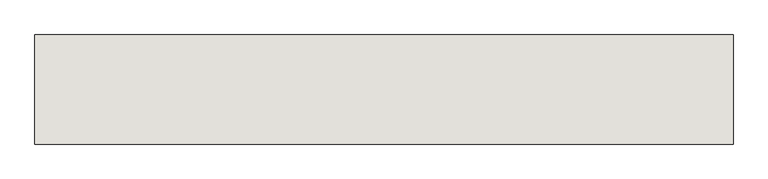
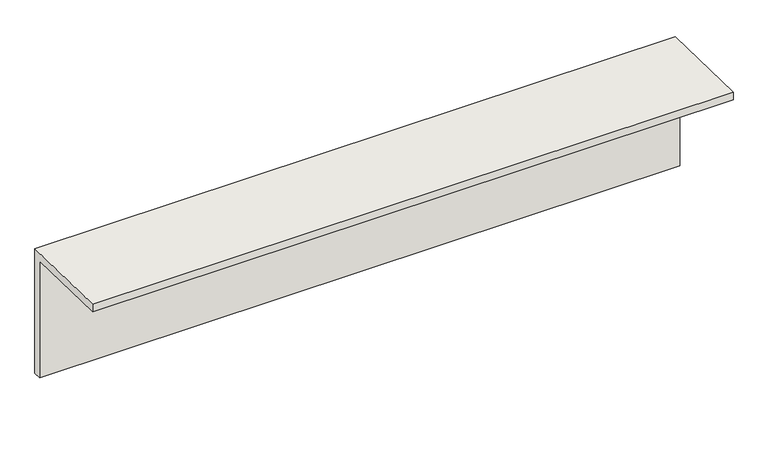
"""IFC4 building model written with IfcOpenShell, lengths in millimetres: wall geometry."""

from ifc_helpers import new_model, si_unit, frame, origin, place, context, project, spatial, polyline, outline, extrude, source, transform, mapped, element, save


def wall_455befad(model_context):
    return source(origin(), model_context, "Body", "SweptSolid", [
        extrude(outline(polyline([(93269.9313244, -3053.75), (93269.9313244, -5373.75), (93128.5807475, -5373.75), (93128.5807475, -3199.4598924), (91507.2177292, -3161.9649477), (91507.2177292, -3021.9649477), (93269.9313244, -3053.75)])), frame((5044.7099912, 0.0, 0.0), z_axis=(1.0, 0.0, 0.0), x_axis=(0.0, 1.0, 0.0)), (0.0, 0.0, 1.0), 11274.8098547),
    ])


if __name__ == "__main__":
    model = new_model("IFC4")
    model_context = context("Model", 3, world=origin())
    ifc_project = project(units=[si_unit("LENGTHUNIT", "METRE", prefix="MILLI")], contexts=[model_context])
    site = spatial("IfcSite", under=ifc_project)
    building = spatial("IfcBuilding", under=site)
    placement = place(None, origin())
    wall_shape = wall_455befad(model_context)
    element("IfcWall", 1, at=placement, inside=building, context=model_context, shape_type="MappedRepresentation", body=[
        mapped(wall_shape, transform((0.0, 0.0, 0.0), x_axis=(1.0, 0.0, 0.0), y_axis=(0.0, 1.0, 0.0), z_axis=(0.0, 0.0, 1.0))),
    ])
    save(model, "model.ifc")
